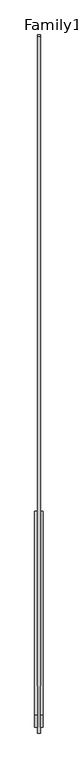
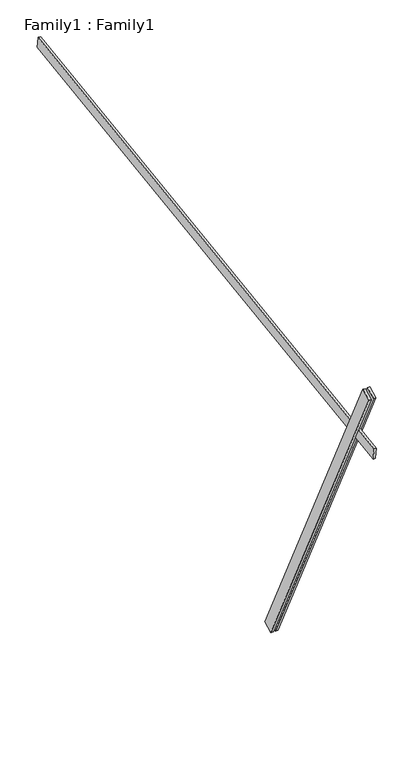
"""IFC4 building model written with IfcOpenShell, lengths in millimetres: proxy geometry, Family1 : Family1."""

import ifcopenshell
import ifcopenshell.guid

model = None  # the IFC model being written
_history = None  # IfcOwnerHistory: only IFC2X3 demands one
_inside = {}  # id of a spatial element -> (the spatial element, [elements in it])
_under = {}  # id of a project, library or spatial element -> (it, [spatial elements below it])
_declared = {}  # id of a project -> (the project, [libraries it declares])
_typed = {}  # id of a type object -> (the type object, [elements of that type])
_made_of = {}  # id of a material, layer set ... -> (it, [elements and type objects made of it])


def new_model(schema):
    """Start an empty IFC model of exactly this schema.

    Asked for "IFC4X3", IfcOpenShell would pick the latest addendum, in which some entities
    have other attributes; the version numbers below select the first issue.
    IFC2X3 requires an IfcOwnerHistory on every rooted entity: one is made here for all.
    """
    global model, _history
    if schema == "IFC4X3":
        model = ifcopenshell.file(schema_version=(4, 3, 0, 0))
    else:
        model = ifcopenshell.file(schema=schema)
    _inside.clear()
    _under.clear()
    _declared.clear()
    _typed.clear()
    _made_of.clear()
    _history = None
    if model.schema == "IFC2X3":
        org = make("IfcOrganization", Name="unknown")
        user = make(
            "IfcPersonAndOrganization",
            ThePerson=make("IfcPerson", FamilyName="unknown"),
            TheOrganization=org,
        )
        app = make(
            "IfcApplication",
            ApplicationDeveloper=org,
            Version="unknown",
            ApplicationFullName="unknown",
            ApplicationIdentifier="unknown",
        )
        _history = make(
            "IfcOwnerHistory",
            OwningUser=user,
            OwningApplication=app,
            ChangeAction="ADDED",
            CreationDate=0,
        )
    return model


def make(cls, **values):
    """One entity of the class cls with the attributes given. An attribute that is None is left unset."""
    return model.create_entity(
        cls, **{name: value for name, value in values.items() if value is not None}
    )


def rooted(cls, **values):
    """An entity with a GlobalId (a new one), such as an element, a storey or a relation."""
    return make(cls, GlobalId=ifcopenshell.guid.new(), OwnerHistory=_history, **values)


def si_unit(unit_type, name, prefix=None):
    """IfcSIUnit, for example si_unit("LENGTHUNIT", "METRE", prefix="MILLI")."""
    return make("IfcSIUnit", UnitType=unit_type, Prefix=prefix, Name=name)


def assignment(units):
    """IfcUnitAssignment: the units of a project."""
    return None if units is None else make("IfcUnitAssignment", Units=units)


def point(xyz):
    """IfcCartesianPoint."""
    return None if xyz is None else make("IfcCartesianPoint", Coordinates=xyz)


def direction(xyz):
    """IfcDirection."""
    return None if xyz is None else make("IfcDirection", DirectionRatios=xyz)


def frame(location, z_axis=None, x_axis=None):
    """IfcAxis2Placement3D, a coordinate frame: its origin and axes. An axis left out is left unset."""
    return make(
        "IfcAxis2Placement3D",
        Location=point(location),
        Axis=direction(z_axis),
        RefDirection=direction(x_axis),
    )


def origin():
    """The frame at (0, 0, 0) with its axes left unset."""
    return frame((0.0, 0.0, 0.0))


def place(relative_to, where):
    """IfcLocalPlacement: puts the frame where relative to a parent placement (None: the world)."""
    return make(
        "IfcLocalPlacement", PlacementRelTo=relative_to, RelativePlacement=where
    )


def context(
    kind, dimensions, precision=None, world=None, true_north=None, identifier=None
):
    """IfcGeometricRepresentationContext, for example the 3D "Model" context."""
    return make(
        "IfcGeometricRepresentationContext",
        ContextIdentifier=identifier,
        ContextType=kind,
        CoordinateSpaceDimension=dimensions,
        Precision=precision,
        WorldCoordinateSystem=world,
        TrueNorth=true_north,
    )


def project(units=None, contexts=None):
    """IfcProject with its units and contexts."""
    return rooted(
        "IfcProject",
        Name="project",
        RepresentationContexts=contexts,
        UnitsInContext=assignment(units),
    )


def spatial(cls, under=None, at=None, **own):
    """A site, building, storey or space (cls), placed at a placement, below another one or the project."""
    s = rooted(cls, ObjectPlacement=at, **own)
    if under is not None:
        _under.setdefault(under.id(), (under, []))[1].append(s)
    return s


def polyline(points):
    """IfcPolyline through the points."""
    return make("IfcPolyline", Points=[point(p) for p in points])


def outline(outer, holes=None, kind="AREA"):
    """IfcArbitraryClosedProfileDef: a profile drawn as a closed curve; with holes, ...WithVoids."""
    if holes is None:
        return make("IfcArbitraryClosedProfileDef", ProfileType=kind, OuterCurve=outer)
    return make(
        "IfcArbitraryProfileDefWithVoids",
        ProfileType=kind,
        OuterCurve=outer,
        InnerCurves=holes,
    )


def extrude(swept, where, along, depth):
    """IfcExtrudedAreaSolid: the profile swept, set in the frame where, extruded along a direction by depth."""
    return make(
        "IfcExtrudedAreaSolid",
        SweptArea=swept,
        Position=where,
        ExtrudedDirection=direction(along),
        Depth=depth,
    )


def shape(context_of_items, identifier, shape_type, items):
    """IfcShapeRepresentation: the items that make up one representation, for example the "Body"."""
    return make(
        "IfcShapeRepresentation",
        ContextOfItems=context_of_items,
        RepresentationIdentifier=identifier,
        RepresentationType=shape_type,
        Items=items,
    )


def source(mapping_origin, context_of_items, identifier, shape_type, items):
    """IfcRepresentationMap: a shape defined once, which mapped items show again and again."""
    return make(
        "IfcRepresentationMap",
        MappingOrigin=mapping_origin,
        MappedRepresentation=shape(context_of_items, identifier, shape_type, items),
    )


def transform(
    local_origin,
    x_axis=None,
    y_axis=None,
    z_axis=None,
    scale=None,
    scale2=None,
    scale3=None,
    uniform=True,
):
    """IfcCartesianTransformationOperator3D, or its non-uniform kind. x_axis, y_axis, z_axis: its Axis1, 2, 3."""
    if uniform:
        return make(
            "IfcCartesianTransformationOperator3D",
            Axis1=direction(x_axis),
            Axis2=direction(y_axis),
            LocalOrigin=point(local_origin),
            Scale=scale,
            Axis3=direction(z_axis),
        )
    return make(
        "IfcCartesianTransformationOperator3DnonUniform",
        Axis1=direction(x_axis),
        Axis2=direction(y_axis),
        LocalOrigin=point(local_origin),
        Scale=scale,
        Axis3=direction(z_axis),
        Scale2=scale2,
        Scale3=scale3,
    )


def mapped(mapping_source, mapping_target):
    """IfcMappedItem: shows the shape of a source again, moved by a transform."""
    return make(
        "IfcMappedItem", MappingSource=mapping_source, MappingTarget=mapping_target
    )


def made_of(thing, what):
    """Note that an element or type object is made of a material, layer set ...; save() writes the relation."""
    if what is not None:
        _made_of.setdefault(what.id(), (what, []))[1].append(thing)
    return thing


def element(
    cls,
    number,
    at=None,
    inside=None,
    cuts=None,
    type_object=None,
    material=None,
    context=None,
    identifier="Body",
    shape_type=None,
    held_by="IfcProductDefinitionShape",
    body=None,
    shapes=None,
    **own,
):
    """One element of the class cls, such as IfcWall. Its Tag is "e" and its number.

    at: its placement. inside: the storey or other place that contains it. cuts: it is an
    opening in that element (IfcRelVoidsElement). A single representation is given by context,
    identifier, shape_type and body (its items); several are given by shapes. held_by: the class
    of the entity that holds the representations. save() writes the other relations.
    """
    e = rooted(cls, Tag="e%d" % number, ObjectPlacement=at, **own)
    if body is not None:
        shapes = [shape(context, identifier, shape_type, body)]
    if shapes is not None:
        e.Representation = make(held_by, Representations=shapes)
    if inside is not None:
        _inside.setdefault(inside.id(), (inside, []))[1].append(e)
    if cuts is not None:
        rooted(
            "IfcRelVoidsElement", RelatingBuildingElement=cuts, RelatedOpeningElement=e
        )
    if type_object is not None:
        _typed.setdefault(type_object.id(), (type_object, []))[1].append(e)
    return made_of(e, material)


def aggregate(whole, parts):
    """IfcRelAggregates: a whole, such as a stair, and the parts it consists of."""
    return rooted("IfcRelAggregates", RelatingObject=whole, RelatedObjects=parts)


def save(model, path):
    """Write the relations noted so far, then the file.

    IfcRelAggregates (storeys below a building ...), IfcRelContainedInSpatialStructure (elements
    in a storey), IfcRelDefinesByType, IfcRelAssociatesMaterial and IfcRelDeclares: one each for
    every whole, place, type object, material and project.
    """
    for whole, parts in _under.values():
        aggregate(whole, parts)
    for where, things in _inside.values():
        rooted(
            "IfcRelContainedInSpatialStructure",
            RelatedElements=things,
            RelatingStructure=where,
        )
    for kind, things in _typed.values():
        rooted("IfcRelDefinesByType", RelatedObjects=things, RelatingType=kind)
    for what, things in _made_of.values():
        rooted("IfcRelAssociatesMaterial", RelatedObjects=things, RelatingMaterial=what)
    for by, libraries in _declared.values():
        rooted("IfcRelDeclares", RelatingContext=by, RelatedDefinitions=libraries)
    model.write(path)


def family1_family1_5c94fe77(model_context):
    return source(origin(), model_context, "Body", "SweptSolid", [
        extrude(outline(polyline([(0.0, 0.0), (-100.0000001, 0.0), (-100.0000001, 20.0), (0.0, 20.0), (0.0, 0.0)])), frame((-30.0, -46.3241747, -22.5938096), z_axis=(0.0, -0.4383711467890692, 0.8987940462991711), x_axis=(0.0, -0.8987940462991711, -0.4383711467890692)), (0.0, 0.0, 1.0), 3300.0),
        extrude(outline(polyline([(0.0, 0.0), (-99.9999999, 0.0), (-99.9999999, 20.0), (0.0, 20.0), (0.0, 0.0)])), frame((10.0, -45.270232, -22.0797674), z_axis=(0.0, -0.4383711467890692, 0.8987940462991711), x_axis=(0.0, -0.8987940462991711, -0.4383711467890692)), (0.0, 0.0, 1.0), 3300.0),
        extrude(outline(polyline([(0.0, 20.0), (5000.0, 20.0), (5000.0, 0.0), (0.0, 0.0), (0.0, 20.0)])), frame((-10.0, 3432.0587311, 3120.9816811), z_axis=(0.0, -0.13917310096006746, 0.9902680687415701), x_axis=(0.0, -0.9902680687415701, -0.13917310096006746)), (0.0, 0.0, 1.0), 100.0),
    ])


if __name__ == "__main__":
    model = new_model("IFC4")
    model_context = context("Model", 3, world=origin())
    ifc_project = project(units=[si_unit("LENGTHUNIT", "METRE", prefix="MILLI")], contexts=[model_context])
    site = spatial("IfcSite", under=ifc_project)
    building = spatial("IfcBuilding", under=site)
    placement = place(None, origin())
    family1_family1_shape = family1_family1_5c94fe77(model_context)
    element("IfcBuildingElementProxy", 1, Name="Family1 : Family1", ObjectType="Family1 : Family1", at=placement, inside=building, context=model_context, shape_type="MappedRepresentation", body=[
        mapped(family1_family1_shape, transform((0.0, 0.0, 0.0), x_axis=(1.0, 0.0, 0.0), y_axis=(0.0, 1.0, 0.0), z_axis=(0.0, 0.0, 1.0))),
    ])
    save(model, "model.ifc")
